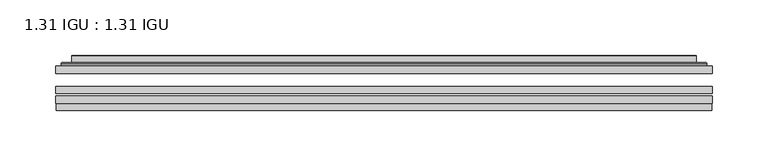
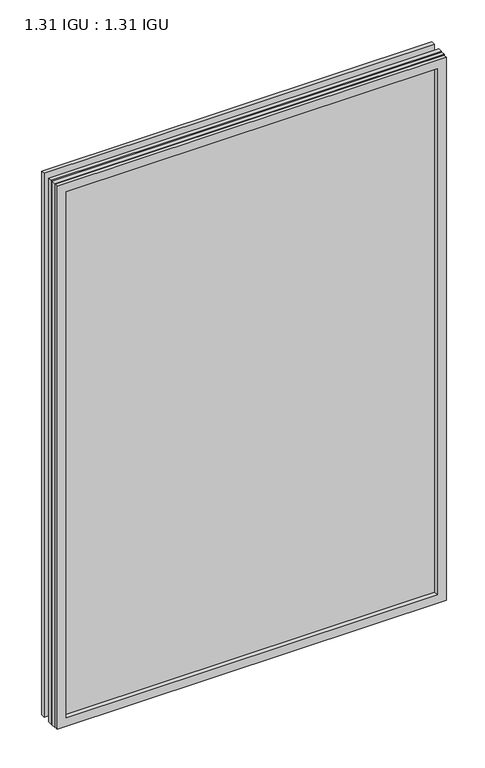
"""IFC4 building model written with IfcOpenShell, lengths in millimetres: plate geometry, 1.31 IGU : 1.31 IGU."""

from ifc_helpers import new_model, si_unit, frame, origin, place, context, project, spatial, polyline, ellipse_curve, outline, extrude, faceted_brep, source, transform, mapped, element, save
from ifc_brep_helpers import plane_surface, cylinder_surface, advanced_brep


def plate_1_31_igu_1_31_igu_e818d90e(model_context):
    return source(origin(), model_context, "Body", "SolidModel", [
        extrude(outline(polyline([(295.2923663, -63.59525), (295.2923663, -69.94525), (-295.2781913, -69.94525), (-295.2781913, -63.59525), (295.2923663, -63.59525)])), frame((0.0, 0.0, -14.2875), z_axis=(0.0, 0.0, 1.0), x_axis=(1.0, 0.0, 0.0)), (0.0, 0.0, 1.0), 869.9537979),
        extrude(outline(polyline([(-295.2781913, -78.58125), (-295.2781913, -72.230745), (295.2923663, -72.230745), (295.2923663, -78.58125), (-295.2781913, -78.58125)])), frame((0.0, 0.0, -14.2875), z_axis=(0.0, 0.0, 1.0), x_axis=(1.0, 0.0, 0.0)), (0.0, 0.0, 1.0), 869.9537979),
        extrude(outline(polyline([(295.2923663, -45.25645), (295.2923663, -51.60645), (-295.2781913, -51.60645), (-295.2781913, -45.25645), (295.2923663, -45.25645)])), frame((0.0, 0.0, -14.2875), z_axis=(0.0, 0.0, 1.0), x_axis=(1.0, 0.0, 0.0)), (0.0, 0.0, 1.0), 869.9537979),
        faceted_brep([(-294.5780056, -84.93125, 854.9623142), (-294.5780056, -78.58125, 854.9623142), (-294.5780056, -78.58125, -13.5873142), (-294.5780056, -84.93125, -13.5873142), (294.5780056, -78.58125, -13.5873142), (294.5780056, -84.93125, -13.5873142), (294.5780056, -78.58125, 854.9623142), (294.5780056, -84.93125, 854.9623142), (-280.0929472, -78.58125, 0.8977441), (280.0929472, -78.58125, 0.8977441), (280.0929472, -78.58125, 840.4772559), (-280.0929472, -78.58125, 840.4772559), (-280.9853815, -84.93125, 841.3696902), (280.9853815, -84.93125, 841.3696902), (280.9853815, -84.93125, 0.0053098), (-280.9853815, -84.93125, 0.0053098)], [[[0, 1, 2, 3]], [[3, 2, 4, 5]], [[5, 4, 6, 7]], [[1, 6, 4, 2], [8, 9, 10, 11]], [[7, 6, 1, 0]], [[3, 5, 7, 0], [12, 13, 14, 15]], [[11, 12, 15, 8]], [[8, 15, 14, 9]], [[9, 14, 13, 10]], [[10, 13, 12, 11]]]),
        advanced_brep(
        [(-288.0369104, -45.25645, 848.421219), (-290.3911157, -43.2667833, 850.7754244), (-290.3911157, -43.2667833, -9.4004244), (-288.0369104, -45.25645, -7.046219), (-278.9625852, -41.416413, 839.3468939), (-274.0277534, -45.25645, 834.4120621), (-274.0277534, -45.25645, 6.9629379), (-278.9625852, -41.416413, 2.0281061), (-279.994613, -36.0191819, 840.3789217), (-279.994613, -36.0191819, 0.9960783), (-280.9852698, -35.6202069, 841.3695784), (-280.9852698, -35.6202069, 0.0054216), (-280.9852698, -42.08145, 841.3695784), (-280.9852698, -42.08145, 0.0054216), (-289.3893262, -42.08145, 849.7736349), (-289.3893262, -42.08145, -8.3986349), (290.3911157, -43.2667833, -9.4004244), (288.0369104, -45.25645, -7.046219), (274.0277534, -45.25645, 6.9629379), (278.9625852, -41.416413, 2.0281061), (279.994613, -36.0191819, 0.9960783), (280.9852698, -35.6202069, 0.0054216), (280.9852698, -42.08145, 0.0054216), (289.3893262, -42.08145, -8.3986349), (290.3911157, -43.2667833, 850.7754244), (288.0369104, -45.25645, 848.421219), (274.0277534, -45.25645, 834.4120621), (278.9625852, -41.416413, 839.3468939), (279.994613, -36.0191819, 840.3789217), (280.9852698, -35.6202069, 841.3695784), (280.9852698, -42.08145, 841.3695784), (289.3893262, -42.08145, 849.7736349)],
        [
            (0, 1, ellipse_curve(frame((-288.0369104, -42.86885, 848.421219), z_axis=(-0.7071067811865475, 0.0, -0.7071067811865475), x_axis=(-0.7071067811865474, 0.0, 0.7071067811865476)), 3.3765763, 2.3876)),
            (1, 2),
            (2, 3, ellipse_curve(frame((-288.0369104, -42.86885, -7.046219), z_axis=(-0.7071067811865475, 0.0, 0.7071067811865475), x_axis=(0.7071067811865474, 0.0, 0.7071067811865476)), 3.3765763, 2.3876)),
            (3, 0),
            (4, 5),
            (5, 6),
            (6, 7),
            (7, 4),
            (8, 4),
            (7, 9),
            (9, 8),
            (10, 8, ellipse_curve(frame((-280.6183132, -36.1384423, 841.0026219), z_axis=(-0.7071067811865475, 0.0, -0.7071067811865475), x_axis=(-0.7071067811865474, 0.0, 0.7071067811865476)), 0.8980256, 0.635)),
            (9, 11, ellipse_curve(frame((-280.6183132, -36.1384423, 0.3723781), z_axis=(-0.7071067811865475, 0.0, 0.7071067811865475), x_axis=(0.7071067811865474, 0.0, 0.7071067811865476)), 0.8980256, 0.635)),
            (11, 10),
            (12, 10),
            (11, 13),
            (13, 12),
            (1, 14, ellipse_curve(frame((-289.3893262, -43.09745, 849.7736349), z_axis=(-0.7071067811865475, 0.0, -0.7071067811865475), x_axis=(-0.7071067811865474, 0.0, 0.7071067811865476)), 1.436841, 1.016)),
            (14, 15),
            (15, 2, ellipse_curve(frame((-289.3893262, -43.09745, -8.3986349), z_axis=(-0.7071067811865475, 0.0, 0.7071067811865475), x_axis=(0.7071067811865474, 0.0, 0.7071067811865476)), 1.436841, 1.016)),
            (2, 16),
            (16, 17, ellipse_curve(frame((288.0369104, -42.86885, -7.046219), z_axis=(-0.7071067811865475, 0.0, -0.7071067811865475), x_axis=(-0.7071067811865476, 0.0, 0.7071067811865474)), 3.3765763, 2.3876)),
            (17, 3),
            (6, 18),
            (18, 19),
            (19, 7),
            (19, 20),
            (20, 9),
            (20, 21, ellipse_curve(frame((280.6183132, -36.1384423, 0.3723781), z_axis=(-0.7071067811865475, 0.0, -0.7071067811865475), x_axis=(-0.7071067811865476, 0.0, 0.7071067811865474)), 0.8980256, 0.635)),
            (21, 11),
            (21, 22),
            (22, 13),
            (15, 23),
            (23, 16, ellipse_curve(frame((289.3893262, -43.09745, -8.3986349), z_axis=(-0.7071067811865475, 0.0, -0.7071067811865475), x_axis=(-0.7071067811865476, 0.0, 0.7071067811865474)), 1.436841, 1.016)),
            (16, 24),
            (24, 25, ellipse_curve(frame((288.0369104, -42.86885, 848.421219), z_axis=(0.7071067811865475, 0.0, -0.7071067811865475), x_axis=(-0.7071067811865474, 0.0, -0.7071067811865476)), 3.3765763, 2.3876)),
            (25, 17),
            (18, 26),
            (26, 27),
            (27, 19),
            (27, 28),
            (28, 20),
            (28, 29, ellipse_curve(frame((280.6183132, -36.1384423, 841.0026219), z_axis=(0.7071067811865475, 0.0, -0.7071067811865475), x_axis=(-0.7071067811865474, 0.0, -0.7071067811865476)), 0.8980256, 0.635)),
            (29, 21),
            (29, 30),
            (30, 22),
            (23, 31),
            (31, 24, ellipse_curve(frame((289.3893262, -43.09745, 849.7736349), z_axis=(0.7071067811865475, 0.0, -0.7071067811865475), x_axis=(-0.7071067811865474, 0.0, -0.7071067811865476)), 1.436841, 1.016)),
            (24, 1),
            (0, 25),
            (5, 26),
            (4, 27),
            (8, 28),
            (10, 29),
            (12, 30),
            (14, 31),
        ],
        [
            cylinder_surface(frame((-288.0369104, -42.86885, 873.125), z_axis=(0.0, 0.0, 1.0), x_axis=(-1.0, 0.0, 0.0)), 2.3876),
            plane_surface(frame((-274.0277534, -45.25645, 834.4120621), z_axis=(0.6141233906514794, 0.7892100234124821, 0.0), x_axis=(0.0, 0.0, -1.0))),
            plane_surface(frame((-278.9625852, -41.416413, 839.3468939), z_axis=(0.9822050625507729, 0.18781164793386074, 0.0), x_axis=(0.0, 0.0, -1.0))),
            cylinder_surface(frame((-280.6183132, -36.1384423, 873.125), z_axis=(0.0, 0.0, 1.0), x_axis=(-1.0, 0.0, 0.0)), 0.635),
            plane_surface(frame((-280.9852698, -35.6202069, 841.3695784), z_axis=(-1.0, 0.0, 0.0), x_axis=(0.0, 0.0, -1.0))),
            cylinder_surface(frame((-289.3893262, -43.09745, 873.125), z_axis=(0.0, 0.0, 1.0), x_axis=(-1.0, 0.0, 0.0)), 1.016),
            cylinder_surface(frame((-312.7406913, -42.86885, -7.046219), z_axis=(-1.0, 0.0, 0.0), x_axis=(0.0, 0.0, -1.0)), 2.3876),
            plane_surface(frame((-274.0277534, -45.25645, 6.9629379), z_axis=(0.0, 0.7892100234124841, 0.6141233906514768), x_axis=(1.0, 0.0, 0.0))),
            plane_surface(frame((-278.9625852, -41.416413, 2.0281061), z_axis=(0.0, 0.18781164793386393, 0.9822050625507723), x_axis=(1.0, 0.0, 0.0))),
            cylinder_surface(frame((-312.7406913, -36.1384423, 0.3723781), z_axis=(-1.0, 0.0, 0.0), x_axis=(0.0, 0.0, -1.0)), 0.635),
            plane_surface(frame((-280.9852698, -35.6202069, 0.0054216), z_axis=(0.0, 0.0, -1.0), x_axis=(1.0, 0.0, 0.0))),
            cylinder_surface(frame((-312.7406913, -43.09745, -8.3986349), z_axis=(-1.0, 0.0, 0.0), x_axis=(0.0, 0.0, -1.0)), 1.016),
            cylinder_surface(frame((288.0369104, -42.86885, -31.75), z_axis=(0.0, 0.0, -1.0), x_axis=(1.0, 0.0, 0.0)), 2.3876),
            plane_surface(frame((274.0277534, -45.25645, 6.9629379), z_axis=(-0.6141233906514743, 0.7892100234124861, 0.0), x_axis=(0.0, 0.0, 1.0))),
            plane_surface(frame((278.9625852, -41.416413, 2.0281061), z_axis=(-0.9822050625507718, 0.18781164793386712, 0.0), x_axis=(0.0, 0.0, 1.0))),
            cylinder_surface(frame((280.6183132, -36.1384423, -31.75), z_axis=(0.0, 0.0, -1.0), x_axis=(1.0, 0.0, 0.0)), 0.635),
            plane_surface(frame((280.9852698, -35.6202069, 0.0054216), z_axis=(1.0, 0.0, 0.0), x_axis=(0.0, 0.0, 1.0))),
            cylinder_surface(frame((289.3893262, -43.09745, -31.75), z_axis=(0.0, 0.0, -1.0), x_axis=(1.0, 0.0, 0.0)), 1.016),
            cylinder_surface(frame((312.7406913, -42.86885, 848.421219), z_axis=(1.0, 0.0, 0.0), x_axis=(0.0, 0.0, 1.0)), 2.3876),
            plane_surface(frame((288.0369104, -45.25645, 848.421219), z_axis=(0.0, -1.0, 0.0), x_axis=(-1.0, 0.0, 0.0))),
            plane_surface(frame((274.0277534, -45.25645, 834.4120621), z_axis=(0.0, 0.7892100234124841, -0.6141233906514768), x_axis=(-1.0, 0.0, 0.0))),
            plane_surface(frame((278.9625852, -41.416413, 839.3468939), z_axis=(0.0, 0.18781164793386393, -0.9822050625507723), x_axis=(-1.0, 0.0, 0.0))),
            cylinder_surface(frame((312.7406913, -36.1384423, 841.0026219), z_axis=(1.0, 0.0, 0.0), x_axis=(0.0, 0.0, 1.0)), 0.635),
            plane_surface(frame((280.9852698, -35.6202069, 841.3695784), z_axis=(0.0, 0.0, 1.0), x_axis=(-1.0, 0.0, 0.0))),
            plane_surface(frame((280.9852698, -42.08145, 841.3695784), z_axis=(0.0, 1.0, 0.0), x_axis=(-1.0, 0.0, 0.0))),
            cylinder_surface(frame((312.7406913, -43.09745, 849.7736349), z_axis=(1.0, 0.0, 0.0), x_axis=(0.0, 0.0, 1.0)), 1.016),
        ],
        [
            (0, [[1, 2, 3, 4]]),
            (1, [[5, 6, 7, 8]]),
            (2, [[9, -8, 10, 11]]),
            (3, [[12, -11, 13, 14]]),
            (4, [[15, -14, 16, 17]]),
            (5, [[18, 19, 20, -2]]),
            (6, [[-3, 21, 22, 23]]),
            (7, [[-7, 24, 25, 26]]),
            (8, [[-10, -26, 27, 28]]),
            (9, [[-13, -28, 29, 30]]),
            (10, [[-16, -30, 31, 32]]),
            (11, [[-20, 33, 34, -21]]),
            (12, [[-22, 35, 36, 37]]),
            (13, [[-25, 38, 39, 40]]),
            (14, [[-27, -40, 41, 42]]),
            (15, [[-29, -42, 43, 44]]),
            (16, [[-31, -44, 45, 46]]),
            (17, [[-34, 47, 48, -35]]),
            (18, [[-36, 49, -1, 50]]),
            (19, [[-23, -37, -50, -4], [51, -38, -24, -6]]),
            (20, [[-39, -51, -5, 52]]),
            (21, [[-41, -52, -9, 53]]),
            (22, [[-43, -53, -12, 54]]),
            (23, [[-45, -54, -15, 55]]),
            (24, [[56, -47, -33, -19], [-32, -46, -55, -17]]),
            (25, [[-48, -56, -18, -49]]),
        ],
    ),
    ])


if __name__ == "__main__":
    model = new_model("IFC4")
    model_context = context("Model", 3, world=origin())
    ifc_project = project(units=[si_unit("LENGTHUNIT", "METRE", prefix="MILLI")], contexts=[model_context])
    site = spatial("IfcSite", under=ifc_project)
    building = spatial("IfcBuilding", under=site)
    placement = place(None, origin())
    plate_1_31_igu_1_31_igu_shape = plate_1_31_igu_1_31_igu_e818d90e(model_context)
    element("IfcPlate", 1, ObjectType="1.31 IGU : 1.31 IGU", at=placement, inside=building, context=model_context, shape_type="MappedRepresentation", body=[
        mapped(plate_1_31_igu_1_31_igu_shape, transform((0.0, 0.0, 0.0), x_axis=(1.0, 0.0, 0.0), y_axis=(0.0, 1.0, 0.0), z_axis=(0.0, 0.0, 1.0))),
    ])
    save(model, "model.ifc")
